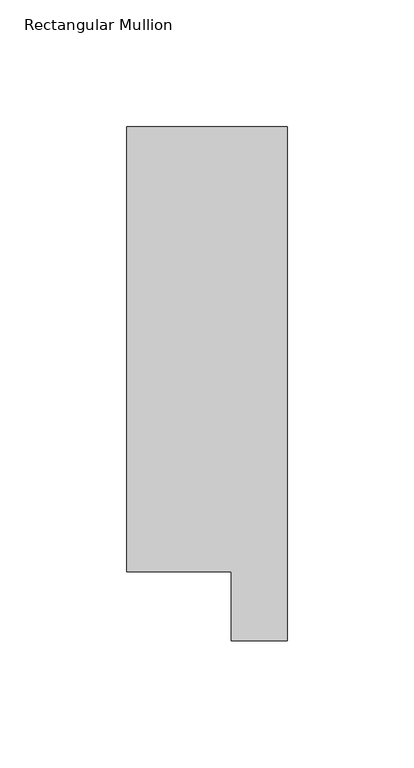
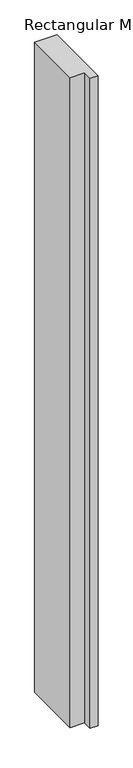
"""IFC4 building model written with IfcOpenShell, lengths in millimetres: member geometry, Rectangular Mullion."""

from ifc_helpers import new_model, si_unit, frame, origin, place, context, project, spatial, polyline, outline, extrude, source, transform, mapped, element, save


def rectangular_mullion_aaf92e1c(model_context):
    return source(origin(), model_context, "Body", "SweptSolid", [
        extrude(outline(polyline([(31.75, 222.5381313), (31.75, 19.5667313), (9.5377, 19.5667313), (9.5377, 46.7447302), (-31.75, 46.7447302), (-31.75, 222.5381313), (31.75, 222.5381313)])), frame((0.0, 0.0, -1965.3123001), z_axis=(0.0, 0.0, 1.0), x_axis=(1.0, 0.0, 0.0)), (0.0, 0.0, 1.0), 1965.3123001),
    ])


if __name__ == "__main__":
    model = new_model("IFC4")
    model_context = context("Model", 3, world=origin())
    ifc_project = project(units=[si_unit("LENGTHUNIT", "METRE", prefix="MILLI")], contexts=[model_context])
    site = spatial("IfcSite", under=ifc_project)
    building = spatial("IfcBuilding", under=site)
    placement = place(None, origin())
    rectangular_mullion_shape = rectangular_mullion_aaf92e1c(model_context)
    element("IfcMember", 1, ObjectType="Rectangular Mullion", at=placement, inside=building, context=model_context, shape_type="MappedRepresentation", body=[
        mapped(rectangular_mullion_shape, transform((0.0, 0.0, 0.0), x_axis=(1.0, 0.0, 0.0), y_axis=(0.0, 1.0, 0.0), z_axis=(0.0, 0.0, 1.0))),
    ])
    save(model, "model.ifc")
